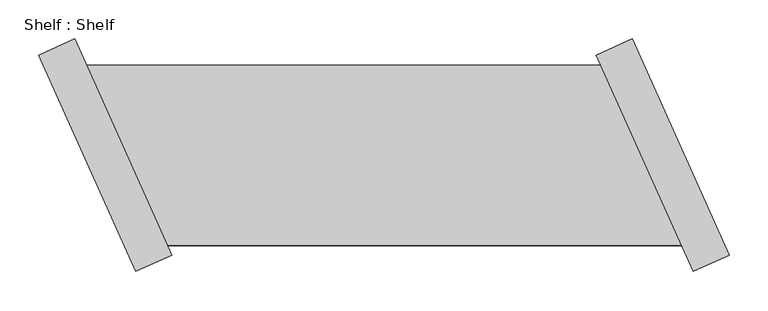
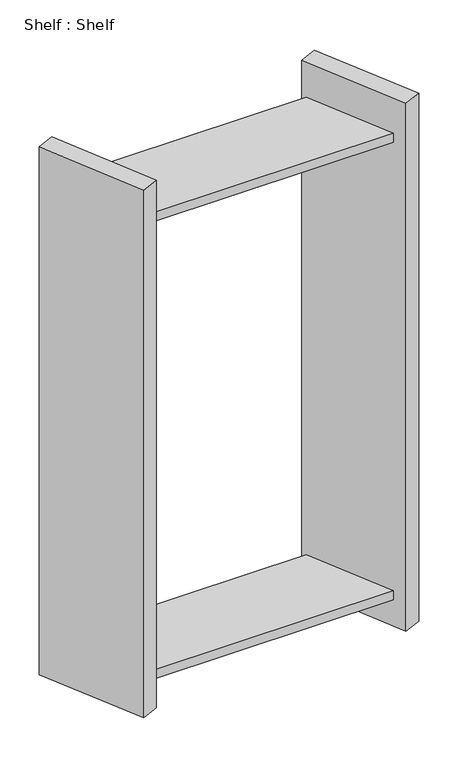
"""IFC4 building model written with IfcOpenShell, lengths in millimetres: proxy geometry, Shelf : Shelf."""

from ifc_helpers import new_model, si_unit, origin, place, context, project, spatial, faceted_brep, source, transform, mapped, element, save


def shelf_shelf_3e856f74(model_context):
    return source(origin(), model_context, "Body", "Brep", [
        faceted_brep([(-475.60519, 115.8978628, 1422.4), (-475.60519, 115.8978628, 1397.0), (-1136.0357328, 115.8978628, 1397.0), (-1136.0357328, 115.8978628, 1422.4), (-371.7459509, -115.8978628, 1397.0), (-1032.1764937, -115.8978628, 1397.0), (-371.7459509, -115.8978628, 1422.4), (-1032.1764937, -115.8978628, 1422.4), (-434.9784138, 149.4633593, 0.0), (-310.3473269, -128.6915115, 0.0), (-356.706472, -149.4633593, 0.0), (-481.337559, 128.6915115, 0.0), (-310.3473269, -128.6915115, 1524.0), (-356.706472, -149.4633593, 1524.0), (-434.9784138, 149.4633593, 1524.0), (-481.337559, 128.6915115, 1524.0), (-371.7459509, -115.8978628, 76.2), (-475.60519, 115.8978628, 76.2), (-475.60519, 115.8978628, 101.6), (-371.7459509, -115.8978628, 101.6), (-1032.1764937, -115.8978628, 76.2), (-1136.0357328, 115.8978628, 76.2), (-1032.1764937, -115.8978628, 101.6), (-1136.0357328, 115.8978628, 101.6), (-1072.8032699, -149.4633593, 0.0), (-1197.4343569, 128.6915115, 0.0), (-1151.0752117, 149.4633593, 0.0), (-1026.4441248, -128.6915115, 0.0), (-1026.4441248, -128.6915115, 1524.0), (-1072.8032699, -149.4633593, 1524.0), (-1151.0752117, 149.4633593, 1524.0), (-1197.4343569, 128.6915115, 1524.0)], [[[0, 1, 2, 3]], [[1, 4, 5, 2]], [[4, 6, 7, 5]], [[6, 0, 3, 7]], [[8, 9, 10, 11]], [[10, 9, 12, 13]], [[13, 12, 14, 15]], [[8, 11, 15, 14]], [[11, 10, 13, 15], [1, 0, 6, 4], [16, 17, 18, 19]], [[9, 8, 14, 12]], [[17, 16, 20, 21]], [[16, 19, 22, 20]], [[19, 18, 23, 22]], [[18, 17, 21, 23]], [[24, 25, 26, 27]], [[24, 27, 28, 29]], [[29, 28, 30, 31]], [[26, 25, 31, 30]], [[27, 26, 30, 28], [3, 2, 5, 7], [21, 20, 22, 23]], [[25, 24, 29, 31]]]),
    ])


if __name__ == "__main__":
    model = new_model("IFC4")
    model_context = context("Model", 3, world=origin())
    ifc_project = project(units=[si_unit("LENGTHUNIT", "METRE", prefix="MILLI")], contexts=[model_context])
    site = spatial("IfcSite", under=ifc_project)
    building = spatial("IfcBuilding", under=site)
    placement = place(None, origin())
    shelf_shelf_shape = shelf_shelf_3e856f74(model_context)
    element("IfcBuildingElementProxy", 1, Name="Shelf : Shelf", ObjectType="Shelf : Shelf", at=placement, inside=building, context=model_context, shape_type="MappedRepresentation", body=[
        mapped(shelf_shelf_shape, transform((0.0, 0.0, 0.0), x_axis=(1.0, 0.0, 0.0), y_axis=(0.0, 1.0, 0.0), z_axis=(0.0, 0.0, 1.0))),
    ])
    save(model, "model.ifc")
